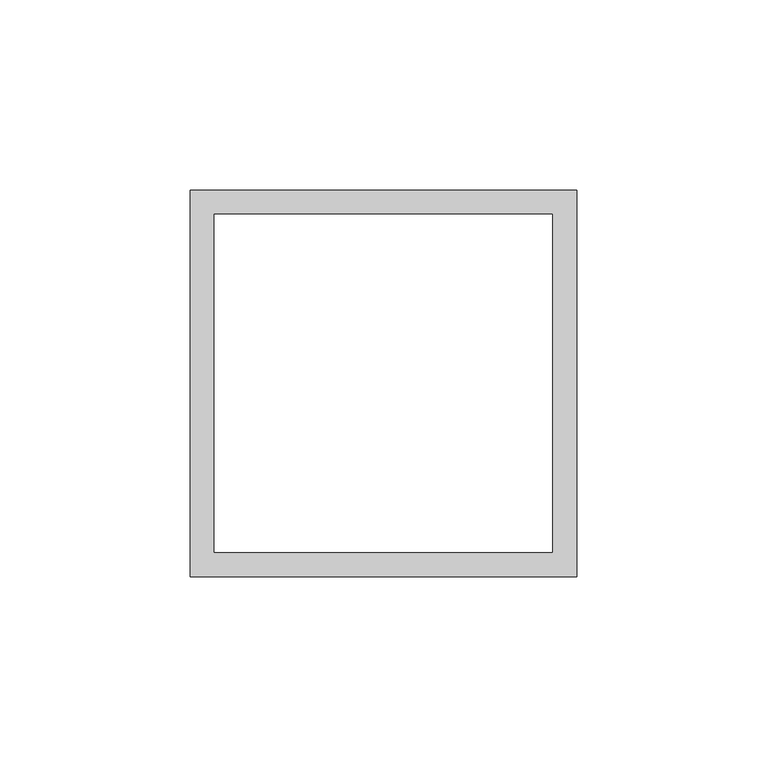
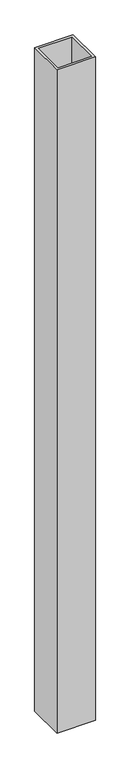
"""IFC4 building model written with IfcOpenShell, lengths in millimetres: proxy geometry."""

from ifc_helpers import new_model, si_unit, origin, origin_with_axes, place, context, project, spatial, polyline, outline, extrude, source, transform, mapped, element, save


def specialty_equipment_7267fb35(model_context):
    return source(origin(), model_context, "Body", "SweptSolid", [
        extrude(outline(polyline([(50.8, -50.8), (-50.8, -50.8), (-50.8, 50.8), (50.8, 50.8), (50.8, -50.8)]), holes=[polyline([(-44.45, 44.45), (-44.45, -44.45), (44.45, -44.45), (44.45, 44.45), (-44.45, 44.45)])]), origin_with_axes(), (0.0, 0.0, 1.0), 1854.2),
    ])


if __name__ == "__main__":
    model = new_model("IFC4")
    model_context = context("Model", 3, world=origin())
    ifc_project = project(units=[si_unit("LENGTHUNIT", "METRE", prefix="MILLI")], contexts=[model_context])
    site = spatial("IfcSite", under=ifc_project)
    building = spatial("IfcBuilding", under=site)
    placement = place(None, origin())
    specialty_equipment_shape = specialty_equipment_7267fb35(model_context)
    element("IfcBuildingElementProxy", 1, Name="Specialty Equipment", at=placement, inside=building, context=model_context, shape_type="MappedRepresentation", body=[
        mapped(specialty_equipment_shape, transform((0.0, 0.0, 0.0), x_axis=(1.0, 0.0, 0.0), y_axis=(0.0, 1.0, 0.0), z_axis=(0.0, 0.0, 1.0))),
    ])
    save(model, "model.ifc")
